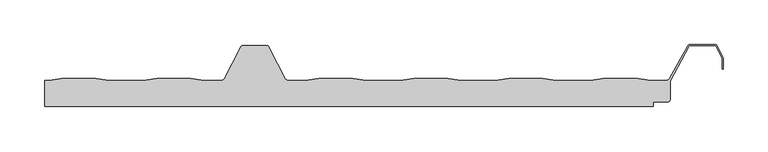
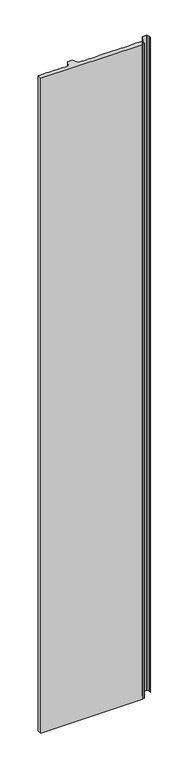
"""IFC4 building model written with IfcOpenShell, lengths in millimetres: proxy geometry."""

import ifcopenshell
import ifcopenshell.guid

model = None  # the IFC model being written
_history = None  # IfcOwnerHistory: only IFC2X3 demands one
_inside = {}  # id of a spatial element -> (the spatial element, [elements in it])
_under = {}  # id of a project, library or spatial element -> (it, [spatial elements below it])
_declared = {}  # id of a project -> (the project, [libraries it declares])
_typed = {}  # id of a type object -> (the type object, [elements of that type])
_made_of = {}  # id of a material, layer set ... -> (it, [elements and type objects made of it])


def new_model(schema):
    """Start an empty IFC model of exactly this schema.

    Asked for "IFC4X3", IfcOpenShell would pick the latest addendum, in which some entities
    have other attributes; the version numbers below select the first issue.
    IFC2X3 requires an IfcOwnerHistory on every rooted entity: one is made here for all.
    """
    global model, _history
    if schema == "IFC4X3":
        model = ifcopenshell.file(schema_version=(4, 3, 0, 0))
    else:
        model = ifcopenshell.file(schema=schema)
    _inside.clear()
    _under.clear()
    _declared.clear()
    _typed.clear()
    _made_of.clear()
    _history = None
    if model.schema == "IFC2X3":
        org = make("IfcOrganization", Name="unknown")
        user = make(
            "IfcPersonAndOrganization",
            ThePerson=make("IfcPerson", FamilyName="unknown"),
            TheOrganization=org,
        )
        app = make(
            "IfcApplication",
            ApplicationDeveloper=org,
            Version="unknown",
            ApplicationFullName="unknown",
            ApplicationIdentifier="unknown",
        )
        _history = make(
            "IfcOwnerHistory",
            OwningUser=user,
            OwningApplication=app,
            ChangeAction="ADDED",
            CreationDate=0,
        )
    return model


def make(cls, **values):
    """One entity of the class cls with the attributes given. An attribute that is None is left unset."""
    return model.create_entity(
        cls, **{name: value for name, value in values.items() if value is not None}
    )


def rooted(cls, **values):
    """An entity with a GlobalId (a new one), such as an element, a storey or a relation."""
    return make(cls, GlobalId=ifcopenshell.guid.new(), OwnerHistory=_history, **values)


def si_unit(unit_type, name, prefix=None):
    """IfcSIUnit, for example si_unit("LENGTHUNIT", "METRE", prefix="MILLI")."""
    return make("IfcSIUnit", UnitType=unit_type, Prefix=prefix, Name=name)


def assignment(units):
    """IfcUnitAssignment: the units of a project."""
    return None if units is None else make("IfcUnitAssignment", Units=units)


def point(xyz):
    """IfcCartesianPoint."""
    return None if xyz is None else make("IfcCartesianPoint", Coordinates=xyz)


def direction(xyz):
    """IfcDirection."""
    return None if xyz is None else make("IfcDirection", DirectionRatios=xyz)


def frame(location, z_axis=None, x_axis=None):
    """IfcAxis2Placement3D, a coordinate frame: its origin and axes. An axis left out is left unset."""
    return make(
        "IfcAxis2Placement3D",
        Location=point(location),
        Axis=direction(z_axis),
        RefDirection=direction(x_axis),
    )


def frame_2d(location, x_axis=None):
    """IfcAxis2Placement2D, a coordinate frame in the plane: its origin and x axis."""
    return make(
        "IfcAxis2Placement2D", Location=point(location), RefDirection=direction(x_axis)
    )


def origin():
    """The frame at (0, 0, 0) with its axes left unset."""
    return frame((0.0, 0.0, 0.0))


def place(relative_to, where):
    """IfcLocalPlacement: puts the frame where relative to a parent placement (None: the world)."""
    return make(
        "IfcLocalPlacement", PlacementRelTo=relative_to, RelativePlacement=where
    )


def context(
    kind, dimensions, precision=None, world=None, true_north=None, identifier=None
):
    """IfcGeometricRepresentationContext, for example the 3D "Model" context."""
    return make(
        "IfcGeometricRepresentationContext",
        ContextIdentifier=identifier,
        ContextType=kind,
        CoordinateSpaceDimension=dimensions,
        Precision=precision,
        WorldCoordinateSystem=world,
        TrueNorth=true_north,
    )


def project(units=None, contexts=None):
    """IfcProject with its units and contexts."""
    return rooted(
        "IfcProject",
        Name="project",
        RepresentationContexts=contexts,
        UnitsInContext=assignment(units),
    )


def spatial(cls, under=None, at=None, **own):
    """A site, building, storey or space (cls), placed at a placement, below another one or the project."""
    s = rooted(cls, ObjectPlacement=at, **own)
    if under is not None:
        _under.setdefault(under.id(), (under, []))[1].append(s)
    return s


def polyline(points):
    """IfcPolyline through the points."""
    return make("IfcPolyline", Points=[point(p) for p in points])


def circle_curve(where, radius):
    """IfcCircle in the frame where."""
    return make("IfcCircle", Position=where, Radius=radius)


def trimmed(basis, trim1, trim2, sense, master):
    """IfcTrimmedCurve: the piece of a basis curve between two trims."""
    return make(
        "IfcTrimmedCurve",
        BasisCurve=basis,
        Trim1=trim1,
        Trim2=trim2,
        SenseAgreement=sense,
        MasterRepresentation=master,
    )


def segment(curve, same_sense, transition):
    """IfcCompositeCurveSegment."""
    return make(
        "IfcCompositeCurveSegment",
        Transition=transition,
        SameSense=same_sense,
        ParentCurve=curve,
    )


def composite_curve(segments, self_intersect=None):
    """IfcCompositeCurve: segments joined end to end."""
    return make("IfcCompositeCurve", Segments=segments, SelfIntersect=self_intersect)


def outline(outer, holes=None, kind="AREA"):
    """IfcArbitraryClosedProfileDef: a profile drawn as a closed curve; with holes, ...WithVoids."""
    if holes is None:
        return make("IfcArbitraryClosedProfileDef", ProfileType=kind, OuterCurve=outer)
    return make(
        "IfcArbitraryProfileDefWithVoids",
        ProfileType=kind,
        OuterCurve=outer,
        InnerCurves=holes,
    )


def extrude(swept, where, along, depth):
    """IfcExtrudedAreaSolid: the profile swept, set in the frame where, extruded along a direction by depth."""
    return make(
        "IfcExtrudedAreaSolid",
        SweptArea=swept,
        Position=where,
        ExtrudedDirection=direction(along),
        Depth=depth,
    )


def shape(context_of_items, identifier, shape_type, items):
    """IfcShapeRepresentation: the items that make up one representation, for example the "Body"."""
    return make(
        "IfcShapeRepresentation",
        ContextOfItems=context_of_items,
        RepresentationIdentifier=identifier,
        RepresentationType=shape_type,
        Items=items,
    )


def source(mapping_origin, context_of_items, identifier, shape_type, items):
    """IfcRepresentationMap: a shape defined once, which mapped items show again and again."""
    return make(
        "IfcRepresentationMap",
        MappingOrigin=mapping_origin,
        MappedRepresentation=shape(context_of_items, identifier, shape_type, items),
    )


def transform(
    local_origin,
    x_axis=None,
    y_axis=None,
    z_axis=None,
    scale=None,
    scale2=None,
    scale3=None,
    uniform=True,
):
    """IfcCartesianTransformationOperator3D, or its non-uniform kind. x_axis, y_axis, z_axis: its Axis1, 2, 3."""
    if uniform:
        return make(
            "IfcCartesianTransformationOperator3D",
            Axis1=direction(x_axis),
            Axis2=direction(y_axis),
            LocalOrigin=point(local_origin),
            Scale=scale,
            Axis3=direction(z_axis),
        )
    return make(
        "IfcCartesianTransformationOperator3DnonUniform",
        Axis1=direction(x_axis),
        Axis2=direction(y_axis),
        LocalOrigin=point(local_origin),
        Scale=scale,
        Axis3=direction(z_axis),
        Scale2=scale2,
        Scale3=scale3,
    )


def mapped(mapping_source, mapping_target):
    """IfcMappedItem: shows the shape of a source again, moved by a transform."""
    return make(
        "IfcMappedItem", MappingSource=mapping_source, MappingTarget=mapping_target
    )


def made_of(thing, what):
    """Note that an element or type object is made of a material, layer set ...; save() writes the relation."""
    if what is not None:
        _made_of.setdefault(what.id(), (what, []))[1].append(thing)
    return thing


def element(
    cls,
    number,
    at=None,
    inside=None,
    cuts=None,
    type_object=None,
    material=None,
    context=None,
    identifier="Body",
    shape_type=None,
    held_by="IfcProductDefinitionShape",
    body=None,
    shapes=None,
    **own,
):
    """One element of the class cls, such as IfcWall. Its Tag is "e" and its number.

    at: its placement. inside: the storey or other place that contains it. cuts: it is an
    opening in that element (IfcRelVoidsElement). A single representation is given by context,
    identifier, shape_type and body (its items); several are given by shapes. held_by: the class
    of the entity that holds the representations. save() writes the other relations.
    """
    e = rooted(cls, Tag="e%d" % number, ObjectPlacement=at, **own)
    if body is not None:
        shapes = [shape(context, identifier, shape_type, body)]
    if shapes is not None:
        e.Representation = make(held_by, Representations=shapes)
    if inside is not None:
        _inside.setdefault(inside.id(), (inside, []))[1].append(e)
    if cuts is not None:
        rooted(
            "IfcRelVoidsElement", RelatingBuildingElement=cuts, RelatedOpeningElement=e
        )
    if type_object is not None:
        _typed.setdefault(type_object.id(), (type_object, []))[1].append(e)
    return made_of(e, material)


def aggregate(whole, parts):
    """IfcRelAggregates: a whole, such as a stair, and the parts it consists of."""
    return rooted("IfcRelAggregates", RelatingObject=whole, RelatedObjects=parts)


def save(model, path):
    """Write the relations noted so far, then the file.

    IfcRelAggregates (storeys below a building ...), IfcRelContainedInSpatialStructure (elements
    in a storey), IfcRelDefinesByType, IfcRelAssociatesMaterial and IfcRelDeclares: one each for
    every whole, place, type object, material and project.
    """
    for whole, parts in _under.values():
        aggregate(whole, parts)
    for where, things in _inside.values():
        rooted(
            "IfcRelContainedInSpatialStructure",
            RelatedElements=things,
            RelatingStructure=where,
        )
    for kind, things in _typed.values():
        rooted("IfcRelDefinesByType", RelatedObjects=things, RelatingType=kind)
    for what, things in _made_of.values():
        rooted("IfcRelAssociatesMaterial", RelatedObjects=things, RelatingMaterial=what)
    for by, libraries in _declared.values():
        rooted("IfcRelDeclares", RelatingContext=by, RelatedDefinitions=libraries)
    model.write(path)


def generic_models_b1918186(model_context):
    return source(origin(), model_context, "Body", "SweptSolid", [
        extrude(outline(composite_curve([segment(polyline([(269.5632135, 0.0), (284.4269301, 1.7979456), (322.5462294, 1.7979456), (337.409946, 0.0), (375.5632135, 0.0), (390.4269301, 1.7979456), (428.5462294, 1.7979456), (443.4267677, -0.0020348), (463.1449543, -0.0020348)]), True, "CONTINUOUS"), segment(trimmed(circle_curve(frame_2d((463.1449543, 2.9979652)), 3.0), [point((463.1449543, -0.0020348))], [point((465.8289057, 1.6576649))], True, "CARTESIAN"), True, "CONTINUOUS"), segment(polyline([(465.8289057, 1.6576649), (484.1712683, 37.3482459)]), True, "CONTINUOUS"), segment(trimmed(circle_curve(frame_2d((486.8552196, 36.0079456)), 3.0), [point((484.1712683, 37.3482459))], [point((486.8552196, 39.0079456))], False, "CARTESIAN"), True, "CONTINUOUS"), segment(polyline([(486.8552196, 39.0079456), (513.1449445, 39.0079456)]), True, "CONTINUOUS"), segment(trimmed(circle_curve(frame_2d((513.1449445, 36.0079456)), 3.0), [point((513.1449445, 39.0079456))], [point((515.8288959, 37.3482459))], False, "CARTESIAN"), True, "CONTINUOUS"), segment(polyline([(515.8288959, 37.3482459), (534.1528136, 1.6486489)]), True, "CONTINUOUS"), segment(trimmed(circle_curve(frame_2d((536.856405, 2.9878462)), 3.017094), [point((534.1528136, 1.6486489))], [point((536.4373213, 0.0))], True, "CARTESIAN"), True, "CONTINUOUS"), segment(polyline([(536.4373213, 0.0), (556.5902181, 0.0), (571.4539348, 1.7979456), (609.573234, 1.7979456), (624.4369507, 0.0), (662.5902181, 0.0), (677.4539348, 1.7979456), (715.573234, 1.7979456), (730.4369507, 0.0), (768.5902181, 0.0), (783.4539348, 1.7979456), (821.573234, 1.7979456), (836.4369507, 0.0), (874.5902181, 0.0), (889.4539348, 1.7979456), (927.573234, 1.7979456), (942.4369507, 0.0), (960.1809415, 0.0)]), True, "CONTINUOUS"), segment(trimmed(circle_curve(frame_2d((960.1809415, 3.0)), 3.0), [point((960.1809415, 0.0))], [point((962.8075869, 1.5506091))], True, "CARTESIAN"), True, "CONTINUOUS"), segment(polyline([(962.8075869, 1.5506091), (983.7108944, 38.44698)]), True, "CONTINUOUS"), segment(trimmed(circle_curve(frame_2d((986.3384217, 36.9991886)), 3.0), [point((983.7108944, 38.44698))], [point((986.3384217, 39.9991886))], False, "CARTESIAN"), True, "CONTINUOUS"), segment(polyline([(986.3384217, 39.9991886), (1013.6874272, 39.9991886)]), True, "CONTINUOUS"), segment(trimmed(circle_curve(frame_2d((1013.6874272, 36.9991886)), 3.0), [point((1013.6874272, 39.9991886))], [point((1016.3713786, 38.3394889))], False, "CARTESIAN"), True, "CONTINUOUS"), segment(polyline([(1016.3713786, 38.3394889), (1022.9005634, 25.2647963)]), True, "CONTINUOUS"), segment(trimmed(circle_curve(frame_2d((1020.2166121, 23.9244959)), 3.0), [point((1022.9005634, 25.2647963))], [point((1023.2166121, 23.9244959))], False, "CARTESIAN"), True, "CONTINUOUS"), segment(polyline([(1023.2166121, 23.9244959), (1023.2166121, 12.4550557), (1022.2166121, 12.4550557), (1022.2166121, 23.9244959)]), True, "CONTINUOUS"), segment(trimmed(circle_curve(frame_2d((1020.2166121, 23.9244959)), 2.0), [point((1022.2166121, 23.9244959))], [point((1022.005913, 24.8180295))], True, "CARTESIAN"), True, "CONTINUOUS"), segment(polyline([(1022.005913, 24.8180295), (1015.4767281, 37.8927222)]), True, "CONTINUOUS"), segment(trimmed(circle_curve(frame_2d((1013.6874272, 36.9991886)), 2.0), [point((1015.4767281, 37.8927222))], [point((1013.6874272, 38.9991886))], True, "CARTESIAN"), True, "CONTINUOUS"), segment(polyline([(1013.6874272, 38.9991886), (986.3557773, 38.9991886)]), True, "CONTINUOUS"), segment(trimmed(circle_curve(frame_2d((986.3557773, 36.9991886)), 2.0), [point((986.3557773, 38.9991886))], [point((984.5660869, 37.8919418))], True, "CARTESIAN"), True, "CONTINUOUS"), segment(polyline([(984.5660869, 37.8919418), (964.2351211, -0.7965502), (964.2351211, -21.1020544)]), True, "CONTINUOUS"), segment(trimmed(circle_curve(frame_2d((961.2351211, -21.1020544)), 3.0), [point((964.2351211, -21.1020544))], [point((961.2351211, -24.1020544))], False, "CARTESIAN"), True, "CONTINUOUS"), segment(polyline([(961.2351211, -24.1020544), (945.306253, -24.1020544), (945.306253, -29.1020544), (265.3803922, -29.1020544), (265.3803922, 0.0), (269.5632135, 0.0)]), True, "CONTINUOUS")], self_intersect=False)), frame((0.0, 0.0, -250.0), z_axis=(0.0, 0.0, 1.0), x_axis=(1.0, 0.0, 0.0)), (0.0, 0.0, 1.0), 4623.800303),
    ])


if __name__ == "__main__":
    model = new_model("IFC4")
    model_context = context("Model", 3, world=origin())
    ifc_project = project(units=[si_unit("LENGTHUNIT", "METRE", prefix="MILLI")], contexts=[model_context])
    site = spatial("IfcSite", under=ifc_project)
    building = spatial("IfcBuilding", under=site)
    placement = place(None, origin())
    generic_models_shape = generic_models_b1918186(model_context)
    element("IfcBuildingElementProxy", 1, Name="Generic Models", at=placement, inside=building, context=model_context, shape_type="MappedRepresentation", body=[
        mapped(generic_models_shape, transform((0.0, 0.0, 0.0), x_axis=(1.0, 0.0, 0.0), y_axis=(0.0, 1.0, 0.0), z_axis=(0.0, 0.0, 1.0))),
    ])
    save(model, "model.ifc")
